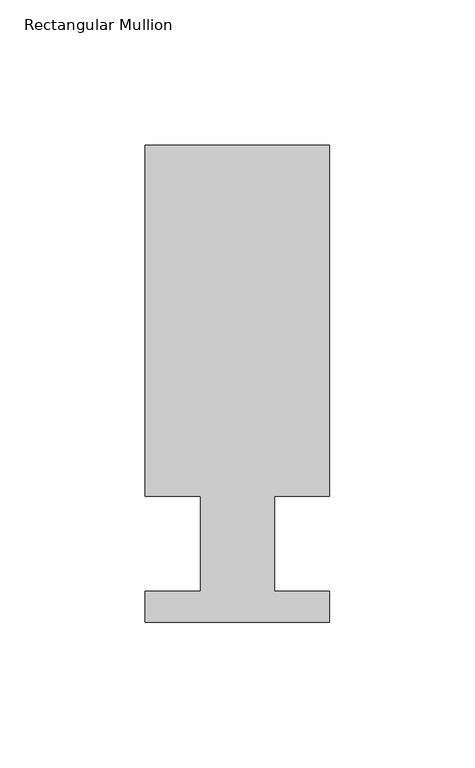
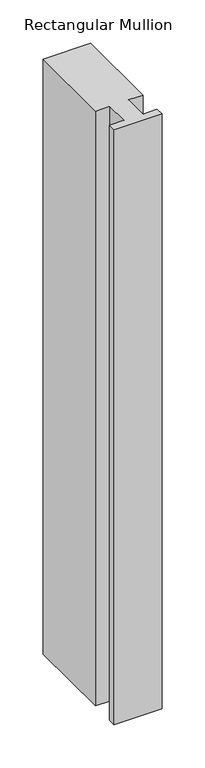
"""IFC4 building model written with IfcOpenShell, lengths in millimetres: member geometry, Rectangular Mullion."""

from ifc_helpers import new_model, si_unit, frame, origin, place, context, project, spatial, polyline, outline, extrude, source, transform, mapped, element, save


def rectangular_mullion_c132a8d0(model_context):
    return source(origin(), model_context, "Body", "SweptSolid", [
        extrude(outline(polyline([(31.75, 152.4), (31.75, 31.75), (12.7, 31.75), (12.7, -1.016), (31.75, -1.016), (31.75, -11.684), (-31.75, -11.684), (-31.75, -1.016), (-12.7, -1.016), (-12.7, 31.75), (-31.75, 31.75), (-31.75, 152.4), (31.75, 152.4)])), frame((0.0, 0.0, -838.2000001), z_axis=(0.0, 0.0, 1.0), x_axis=(1.0, 0.0, 0.0)), (0.0, 0.0, 1.0), 838.2000001),
    ])


if __name__ == "__main__":
    model = new_model("IFC4")
    model_context = context("Model", 3, world=origin())
    ifc_project = project(units=[si_unit("LENGTHUNIT", "METRE", prefix="MILLI")], contexts=[model_context])
    site = spatial("IfcSite", under=ifc_project)
    building = spatial("IfcBuilding", under=site)
    placement = place(None, origin())
    rectangular_mullion_shape = rectangular_mullion_c132a8d0(model_context)
    element("IfcMember", 1, ObjectType="Rectangular Mullion", at=placement, inside=building, context=model_context, shape_type="MappedRepresentation", body=[
        mapped(rectangular_mullion_shape, transform((0.0, 0.0, 0.0), x_axis=(1.0, 0.0, 0.0), y_axis=(0.0, 1.0, 0.0), z_axis=(0.0, 0.0, 1.0))),
    ])
    save(model, "model.ifc")
